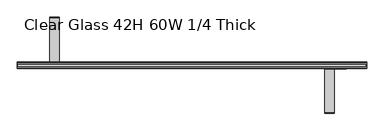
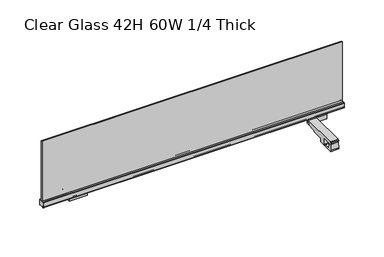
"""IFC4 building model written with IfcOpenShell, lengths in millimetres: furniture geometry, Clear Glass 42H 60W 1/4 Thick."""

from ifc_helpers import new_model, si_unit, frame, origin, place, context, project, spatial, polyline, circle_curve, ellipse_curve, outline, extrude, source, transform, mapped, element, save
from ifc_brep_helpers import plane_surface, cylinder_surface, revolved_surface, advanced_brep


def clear_glass_42h_60w_1_4_thick_86b649ca(model_context):
    return source(origin(), model_context, "Body", "SolidModel", [
        extrude(outline(polyline([(3.201435, 695.9952598), (12.5472507, 695.9948719), (13.9614642, 696.5806646), (14.5463959, 697.9928328), (14.5465332, 699.4737627), (15.6559149, 694.5869844), (16.1552308, 670.5006633), (3.201435, 670.2321276), (3.201435, 695.9952598)])), frame((-617.0086695, 0.0, 0.0), z_axis=(1.0, 0.0, 0.0), x_axis=(0.0, 1.0, 0.0)), (0.0, 0.0, 1.0), 91.8823277),
        advanced_brep(
        [(-585.6869928, 64.3714744, 682.0986035), (-608.330335, 64.3714744, 682.0986035), (-610.7646143, 64.3714744, 679.6643242), (-611.0784676, 64.3714744, 670.0187968), (-582.9388615, 64.3714744, 670.0187968), (-583.2527135, 64.3714744, 679.6643242), (-585.6869928, 34.3714744, 682.0986035), (-608.330335, 34.3714744, 682.0986035), (-610.7646143, 34.3714744, 679.6643242), (-611.0784676, 34.3714744, 670.0187968), (-611.0784676, 63.1060855, 670.0187968), (-582.9388615, 63.1060855, 670.0187968), (-582.9388615, 34.3714744, 670.0187968), (-583.2527135, 34.3714744, 679.6643242), (-577.0086583, 15.5333084, 694.748492), (-577.0086583, 16.0512785, 670.0187968), (-577.0086583, 63.1060855, 670.0187968), (-577.0086583, 64.7802895, 669.3253107), (-577.0086583, 65.3660777, 667.9110802), (-577.0086583, 65.3660777, 666.9110686), (-577.0086583, 65.9518614, 665.4969107), (-577.0086583, 67.0455533, 665.0438834), (-577.0086583, 120.0667475, 665.0438834), (-577.0086583, 122.5380118, 662.5726192), (-577.0086583, 123.0486642, 647.9494482), (-577.0086583, 124.7890124, 646.2091), (-577.0086583, 153.1196776, 646.2091), (-577.0086583, 155.1099437, 648.1993661), (-577.0086583, 155.1099437, 680.3912738), (-577.0086583, 157.5799648, 682.8612948), (-577.0086583, 208.1314782, 682.8612948), (-577.0086583, 208.8141532, 683.339309), (-577.0086583, 209.1380776, 691.2327031), (-577.0086583, 205.6222859, 694.748492), (-617.0086695, 15.5333084, 694.748492), (-617.0086695, 205.6222859, 694.748492), (-617.0086695, 209.1380776, 691.2327031), (-617.0086695, 208.8141532, 683.339309), (-617.0086695, 208.1314782, 682.8612948), (-617.0086695, 157.5799648, 682.8612948), (-617.0086695, 155.1099437, 680.3912738), (-617.0086695, 155.1099437, 648.1993661), (-617.0086695, 153.1196776, 646.2091), (-617.0086695, 124.7890124, 646.2091), (-617.0086695, 123.0486642, 647.9494482), (-617.0086695, 122.5380118, 662.5726192), (-617.0086695, 120.0667475, 665.0438834), (-617.0086695, 67.0455533, 665.0438834), (-617.0086695, 65.9518614, 665.4969107), (-617.0086695, 65.3660777, 666.9110686), (-617.0086695, 65.3660777, 667.9110802), (-617.0086695, 64.7802895, 669.3253107), (-617.0086695, 63.1060855, 670.0187968), (-617.0086695, 16.0512785, 670.0187968), (-581.9932112, 124.7890124, 646.2091), (-581.9932112, 140.0690796, 646.2091), (-612.0649315, 140.0690796, 646.2091), (-612.0649315, 124.7890124, 646.2091), (-611.9886997, 123.0486642, 647.9494482), (-582.0694431, 123.0486642, 647.9494482), (-611.5228551, 122.677279, 658.5845286), (-600.6647896, 122.6606702, 659.0601406), (-593.3933546, 122.6606702, 659.0601406), (-582.5352876, 122.677279, 658.5845286), (-600.6647896, 140.0690796, 659.0601406), (-611.5228551, 140.0690796, 658.5845286), (-582.5352876, 140.0690796, 658.5845286), (-593.3933546, 140.0690796, 659.0601406)],
        [
            (0, 1),
            (1, 2, circle_curve(frame((-608.330335, 64.3714744, 679.6643242), z_axis=(0.0, -1.0, 0.0), x_axis=(1.0, 0.0, 0.0)), 2.4342793)),
            (2, 3),
            (3, 4),
            (4, 5),
            (5, 0, circle_curve(frame((-585.6869928, 64.3714744, 679.6643242), z_axis=(0.0, -1.0, 0.0), x_axis=(1.0, 0.0, 0.0)), 2.4342793)),
            (0, 6),
            (6, 7),
            (7, 1),
            (7, 8, circle_curve(frame((-608.330335, 34.3714744, 679.6643242), z_axis=(0.0, -1.0, 0.0), x_axis=(1.0, 0.0, 0.0)), 2.4342793)),
            (8, 2),
            (8, 9),
            (9, 10),
            (10, 3),
            (10, 11),
            (11, 4),
            (11, 12),
            (12, 13),
            (13, 5),
            (13, 6, circle_curve(frame((-585.6869928, 34.3714744, 679.6643242), z_axis=(0.0, -1.0, 0.0), x_axis=(1.0, 0.0, 0.0)), 2.4342793)),
            (14, 15),
            (15, 16),
            (16, 17),
            (17, 18),
            (18, 19),
            (19, 20),
            (20, 21),
            (21, 22),
            (22, 23),
            (23, 24),
            (24, 25, circle_curve(frame((-577.0086583, 124.7890124, 647.9494482), z_axis=(1.0, 0.0, 0.0), x_axis=(0.0, -1.0, 0.0)), 1.7403482)),
            (25, 26),
            (26, 27, circle_curve(frame((-577.0086583, 153.1196776, 648.1993661), z_axis=(1.0, 0.0, 0.0), x_axis=(0.0, -1.0, 0.0)), 1.9902661)),
            (27, 28),
            (28, 29),
            (29, 30),
            (30, 31, circle_curve(frame((-577.0086583, 208.2904116, 683.360802), z_axis=(1.0, 0.0, 0.0), x_axis=(0.0, -1.0, 0.0)), 0.5241824)),
            (31, 32),
            (32, 33, circle_curve(frame((-577.0086583, 205.6222859, 691.2327002), z_axis=(1.0, 0.0, 0.0), x_axis=(0.0, -1.0, 0.0)), 3.5157917)),
            (33, 14),
            (34, 35),
            (35, 36, circle_curve(frame((-617.0086695, 205.6222859, 691.2327002), z_axis=(-1.0, 0.0, 0.0), x_axis=(0.0, -1.0, 0.0)), 3.5157917)),
            (36, 37),
            (37, 38, circle_curve(frame((-617.0086695, 208.2904116, 683.360802), z_axis=(-1.0, 0.0, 0.0), x_axis=(0.0, -1.0, 0.0)), 0.5241824)),
            (38, 39),
            (39, 40),
            (40, 41),
            (41, 42, circle_curve(frame((-617.0086695, 153.1196776, 648.1993661), z_axis=(-1.0, 0.0, 0.0), x_axis=(0.0, -1.0, 0.0)), 1.9902661)),
            (42, 43),
            (43, 44, circle_curve(frame((-617.0086695, 124.7890124, 647.9494482), z_axis=(-1.0, 0.0, 0.0), x_axis=(0.0, -1.0, 0.0)), 1.7403482)),
            (44, 45),
            (45, 46),
            (46, 47),
            (47, 48),
            (48, 49),
            (49, 50),
            (50, 51),
            (51, 52),
            (52, 53),
            (53, 34),
            (33, 35),
            (34, 14),
            (32, 36),
            (31, 37),
            (29, 39),
            (38, 30),
            (28, 40),
            (27, 41),
            (26, 42),
            (25, 54),
            (54, 55),
            (55, 56),
            (56, 57),
            (57, 43),
            (57, 58, ellipse_curve(frame((-611.9886997, 124.7890124, 647.9494482), z_axis=(-0.9990420429162121, 0.0, 0.043760672821627045), x_axis=(0.043760672821625185, 0.0, 0.999042042916212)), 1.742017, 1.7403482)),
            (58, 44),
            (24, 59),
            (59, 54, ellipse_curve(frame((-582.0694431, 124.7890124, 647.9494482), z_axis=(0.9990420426677843, 0.0, 0.04376067849315382), x_axis=(0.04376067849315236, 0.0, -0.9990420426677845)), 1.742017, 1.7403482)),
            (23, 45),
            (58, 60),
            (60, 61),
            (61, 62),
            (62, 63),
            (63, 59),
            (22, 46),
            (21, 47),
            (15, 53),
            (52, 10),
            (9, 12),
            (11, 16),
            (20, 48),
            (19, 49),
            (18, 50),
            (17, 51),
            (64, 65),
            (65, 56),
            (55, 66),
            (66, 67),
            (67, 64),
            (64, 61),
            (60, 65),
            (63, 66),
            (62, 67),
        ],
        [
            plane_surface(frame((-608.330335, 64.3714744, 682.0986035), z_axis=(0.0, -1.0, 0.0), x_axis=(-1.0, 0.0, 0.0))),
            plane_surface(frame((-585.6869928, 64.3714744, 682.0986035), z_axis=(0.0, 0.0, -1.0), x_axis=(0.0, -1.0, 0.0))),
            revolved_surface(polyline([(-605.8960557, 64.3714744, 679.6643242), (-605.8960557, 34.3714744, 679.6643242)]), (-608.330335, 34.3714744, 679.6643242), (0.0, 1.0, 0.0)),
            plane_surface(frame((-610.7646143, 64.3714744, 679.6643242), z_axis=(0.9994710350913933, 0.0, -0.03252153153433829), x_axis=(0.0, -1.0, 0.0))),
            plane_surface(frame((-611.0784676, 64.3714744, 670.0187968), z_axis=(0.0, 0.0, 1.0), x_axis=(0.0, -1.0, 0.0))),
            plane_surface(frame((-582.9388615, 64.3714744, 670.0187968), z_axis=(-0.999471039390332, 0.0, -0.03252139941653), x_axis=(0.0, -1.0, 0.0))),
            revolved_surface(polyline([(-583.2527135, 64.3714744, 679.6643242), (-583.2527135, 34.3714744, 679.6643242)]), (-585.6869928, 34.3714744, 679.6643242), (0.0, 1.0, 0.0)),
            plane_surface(frame((-577.0086583, 205.6222859, 694.748492), z_axis=(1.0, 0.0, 0.0), x_axis=(0.0, 1.0, 0.0))),
            plane_surface(frame((-617.0086695, 205.6222859, 694.748492), z_axis=(-1.0, 0.0, 0.0), x_axis=(0.0, -1.0, 0.0))),
            plane_surface(frame((-577.0086583, 15.5333084, 694.748492), z_axis=(0.0, 0.0, 1.0), x_axis=(-1.0, 0.0, 0.0))),
            cylinder_surface(frame((-617.0086695, 205.6222859, 691.2327002), z_axis=(1.0, 0.0, 0.0), x_axis=(0.0, -1.0, 0.0)), 3.5157917),
            plane_surface(frame((-577.0086583, 209.1380776, 691.2327031), z_axis=(0.0, 0.9991590276048403, -0.041002896918997445), x_axis=(-1.0, 0.0, 0.0))),
            plane_surface(frame((-577.0086583, 208.1314782, 682.8612948), z_axis=(0.0, 0.0, -1.0), x_axis=(-1.0, 0.0, 0.0))),
            plane_surface(frame((-577.0086583, 157.5799648, 682.8612948), z_axis=(0.0, 0.7071067811865669, -0.7071067811865281), x_axis=(-1.0, 0.0, 0.0))),
            plane_surface(frame((-577.0086583, 155.1099437, 680.3912738), z_axis=(0.0, 1.0, 0.0), x_axis=(-1.0, 0.0, 0.0))),
            cylinder_surface(frame((-617.0086695, 153.1196776, 648.1993661), z_axis=(1.0, 0.0, 0.0), x_axis=(0.0, -1.0, 0.0)), 1.9902661),
            plane_surface(frame((-577.0086583, 153.1196776, 646.2091), z_axis=(0.0, 0.0, -1.0), x_axis=(-1.0, 0.0, 0.0))),
            cylinder_surface(frame((-617.0086695, 124.7890124, 647.9494482), z_axis=(1.0, 0.0, 0.0), x_axis=(0.0, -1.0, 0.0)), 1.7403482),
            plane_surface(frame((-577.0086583, 123.0486642, 647.9494482), z_axis=(0.0, -0.9993908270182066, -0.03489949672796346), x_axis=(-1.0, 0.0, 0.0))),
            plane_surface(frame((-577.0086583, 122.5380118, 662.5726192), z_axis=(0.0, -0.7071067811865888, -0.7071067811865064), x_axis=(-1.0, 0.0, 0.0))),
            plane_surface(frame((-577.0086583, 120.0667475, 665.0438834), z_axis=(0.0, 0.0, -1.0), x_axis=(-1.0, 0.0, 0.0))),
            plane_surface(frame((-577.0086583, 63.1060855, 670.0187968), z_axis=(0.0, 0.0, -1.0), x_axis=(-1.0, 0.0, 0.0))),
            cylinder_surface(frame((-617.0086695, 208.2904116, 683.360802), z_axis=(1.0, 0.0, 0.0), x_axis=(0.0, -1.0, 0.0)), 0.5241824),
            plane_surface(frame((-577.0086583, 67.0455533, 665.0438834), z_axis=(0.0, -0.3826872177215554, -0.9238779645562151), x_axis=(-1.0, 0.0, 0.0))),
            plane_surface(frame((-577.0086583, 65.9518614, 665.4969107), z_axis=(0.0, -0.9238748481049176, -0.3826947413267075), x_axis=(-1.0, 0.0, 0.0))),
            plane_surface(frame((-577.0086583, 65.3660777, 666.9110686), z_axis=(0.0, -1.0, 0.0), x_axis=(-1.0, 0.0, 0.0))),
            plane_surface(frame((-577.0086583, 65.3660777, 667.9110802), z_axis=(0.0, -0.9238807518005431, -0.38268048872716703), x_axis=(-1.0, 0.0, 0.0))),
            plane_surface(frame((-577.0086583, 64.7802895, 669.3253107), z_axis=(0.0, -0.38268721761631463, -0.9238779645998076), x_axis=(-1.0, 0.0, 0.0))),
            plane_surface(frame((-577.0086583, 16.0512785, 670.0187968), z_axis=(0.0, -0.9997807200231504, -0.02094067501278579), x_axis=(-1.0, 0.0, 0.0))),
            plane_surface(frame((-611.5228551, 140.0690796, 658.5845286), z_axis=(0.0, -1.0000000000000002, 0.0), x_axis=(-0.9990420426677844, 0.0, -0.04376067849315215))),
            plane_surface(frame((-600.6647896, 140.0690796, 659.0601406), z_axis=(0.04376067849315215, 0.0, -0.9990420426677844), x_axis=(0.0, -1.0, 0.0))),
            plane_surface(frame((-611.5228551, 140.0690796, 658.5845286), z_axis=(0.9990420429162121, 0.0, -0.043760672821627045), x_axis=(0.0, -1.0, 0.0))),
            plane_surface(frame((-581.9129553, 140.0690796, 644.376883), z_axis=(-0.9990420426677843, 0.0, -0.04376067849315382), x_axis=(0.0, -1.0, 0.0))),
            plane_surface(frame((-582.5352876, 140.0690796, 658.5845286), z_axis=(-0.043760672821278684, 0.0, -0.9990420429162273), x_axis=(0.0, -1.0, 0.0))),
            plane_surface(frame((-593.3933546, 140.0690796, 659.0601406), z_axis=(0.0, 0.0, -1.0), x_axis=(0.0, -1.0, 0.0))),
            plane_surface(frame((-608.330335, 34.3714744, 682.0986035), z_axis=(0.0, 1.0, 0.0), x_axis=(1.0, 0.0, 0.0))),
        ],
        [
            (0, [[1, 2, 3, 4, 5, 6]]),
            (1, [[7, 8, 9, -1]]),
            (2, [[-9, 10, 11, -2]]),
            (3, [[-11, 12, 13, 14, -3]]),
            (4, [[-14, 15, 16, -4]]),
            (5, [[-16, 17, 18, 19, -5]]),
            (6, [[-19, 20, -7, -6]]),
            (7, [[21, 22, 23, 24, 25, 26, 27, 28, 29, 30, 31, 32, 33, 34, 35, 36, 37, 38, 39, 40]]),
            (8, [[41, 42, 43, 44, 45, 46, 47, 48, 49, 50, 51, 52, 53, 54, 55, 56, 57, 58, 59, 60]]),
            (9, [[61, -41, 62, -40]]),
            (10, [[63, -42, -61, -39]]),
            (11, [[64, -43, -63, -38]]),
            (12, [[65, -45, 66, -36]]),
            (13, [[67, -46, -65, -35]]),
            (14, [[68, -47, -67, -34]]),
            (15, [[69, -48, -68, -33]]),
            (16, [[70, 71, 72, 73, 74, -49, -69, -32]]),
            (17, [[-74, 75, 76, -50]]),
            (17, [[77, 78, -70, -31]]),
            (18, [[79, -51, -76, 80, 81, 82, 83, 84, -77, -30]]),
            (19, [[85, -52, -79, -29]]),
            (20, [[86, -53, -85, -28]]),
            (21, [[87, -59, 88, -13, 89, -17, 90, -22]]),
            (22, [[-66, -44, -64, -37]]),
            (23, [[91, -54, -86, -27]]),
            (24, [[92, -55, -91, -26]]),
            (25, [[93, -56, -92, -25]]),
            (26, [[94, -57, -93, -24]]),
            (27, [[-90, -15, -88, -58, -94, -23]]),
            (28, [[-62, -60, -87, -21]]),
            (29, [[95, 96, -72, 97, 98, 99]]),
            (30, [[100, -81, 101, -95]]),
            (31, [[-101, -80, -75, -73, -96]]),
            (32, [[-71, -78, -84, 102, -97]]),
            (33, [[-102, -83, 103, -98]]),
            (34, [[-103, -82, -100, -99]]),
            (35, [[-20, -18, -89, -12, -10, -8]]),
        ],
    ),
        advanced_brep(
        [(-577.0086583, 192.6183967, 652.8966), (-577.0086583, 158.5660905, 652.8966), (-577.0086583, 158.5660905, 645.8966), (-577.0086583, 209.8247065, 645.8966), (-577.0086583, 209.9468927, 652.8966), (-577.0086583, 208.9172894, 682.3805731), (-577.0086583, 195.9764958, 682.3805731), (-577.0086583, 195.0311479, 655.3093513), (-617.0086695, 209.8247065, 645.8966), (-617.0086695, 158.0993665, 645.8966), (-617.0086695, 158.0993665, 652.8966), (-617.0086695, 192.6183967, 652.8966), (-617.0086695, 195.0311479, 655.3093513), (-617.0086695, 195.9764958, 682.3805731), (-617.0086695, 208.9172894, 682.3805731), (-617.0086695, 209.9468927, 652.8966), (-585.7177, 140.0690796, 645.8966), (-586.173485, 139.9468928, 652.8966), (-607.9688403, 139.9468928, 652.8966), (-608.4246253, 140.0690796, 645.8966), (-616.6998014, 156.9460954, 652.8966), (-615.9683052, 156.2145992, 652.8966), (-614.9687262, 155.9468928, 652.8966), (-611.9672794, 155.9468928, 652.8966), (-611.4675078, 155.0780486, 652.8966), (-611.4675078, 143.4455602, 652.8966), (-610.9985698, 141.6963131, 652.8966), (-609.7180876, 140.4158309, 652.8966), (-584.4242378, 140.4158309, 652.8966), (-583.1437556, 141.6963131, 652.8966), (-582.6748176, 143.4455602, 652.8966), (-582.6748176, 155.0780485, 652.8966), (-582.175046, 155.9468928, 652.8966), (-579.1735992, 155.9468928, 652.8966), (-578.1740202, 156.2145992, 652.8966), (-577.442524, 156.9460954, 652.8966), (-577.442524, 156.9460954, 645.8966), (-578.1740202, 156.2145992, 645.8966), (-579.1735992, 155.9468928, 645.8966), (-582.175046, 155.9468928, 645.8966), (-582.6748176, 155.0780485, 645.8966), (-582.6748176, 143.4455602, 645.8966), (-583.1437556, 141.6963131, 645.8966), (-584.4242378, 140.4158309, 645.8966), (-609.7180876, 140.4158309, 645.8966), (-610.9985698, 141.6963131, 645.8966), (-611.4675078, 143.4455602, 645.8966), (-611.4675078, 155.0780486, 645.8966), (-611.9672794, 155.9468928, 645.8966), (-614.9687262, 155.9468928, 645.8966), (-615.9683052, 156.2145992, 645.8966), (-616.6998014, 156.9460954, 645.8966)],
        [
            (0, 1),
            (1, 2),
            (2, 3),
            (3, 4),
            (4, 5),
            (5, 6),
            (6, 7),
            (7, 0, circle_curve(frame((-577.0086583, 192.6183967, 655.3093513), z_axis=(-1.0, 0.0, 0.0), x_axis=(0.0, -1.0, 0.0)), 2.4127513)),
            (8, 9),
            (9, 10),
            (10, 11),
            (11, 12, circle_curve(frame((-617.0086695, 192.6183967, 655.3093513), z_axis=(1.0, 0.0, 0.0), x_axis=(0.0, -1.0, 0.0)), 2.4127513)),
            (12, 13),
            (13, 14),
            (14, 15),
            (15, 8),
            (16, 17),
            (17, 18),
            (18, 19),
            (19, 16),
            (10, 20),
            (20, 21),
            (21, 22),
            (22, 23),
            (23, 24, circle_curve(frame((-612.4726288, 155.0780486, 652.8966), z_axis=(0.0, 0.0, -1.0), x_axis=(1.0, 0.0, 0.0)), 1.005121)),
            (24, 25),
            (25, 26),
            (26, 27),
            (27, 18),
            (17, 28),
            (28, 29),
            (29, 30),
            (30, 31),
            (31, 32, circle_curve(frame((-581.6696965, 155.0780485, 652.8966), z_axis=(0.0, 0.0, -1.0), x_axis=(1.0, 0.0, 0.0)), 1.0051211)),
            (32, 33),
            (33, 34),
            (34, 35),
            (35, 1),
            (0, 11),
            (7, 12),
            (6, 13),
            (5, 14),
            (4, 15),
            (3, 8),
            (2, 36),
            (36, 37),
            (37, 38),
            (38, 39),
            (39, 40, circle_curve(frame((-581.6696965, 155.0780485, 645.8966), z_axis=(0.0, 0.0, 1.0), x_axis=(1.0, 0.0, 0.0)), 1.0051211)),
            (40, 41),
            (41, 42),
            (42, 43),
            (43, 16),
            (19, 44),
            (44, 45),
            (45, 46),
            (46, 47),
            (47, 48, circle_curve(frame((-612.4726288, 155.0780486, 645.8966), z_axis=(0.0, 0.0, 1.0), x_axis=(1.0, 0.0, 0.0)), 1.005121)),
            (48, 49),
            (49, 50),
            (50, 51),
            (51, 9),
            (25, 46),
            (45, 26),
            (44, 27),
            (51, 20),
            (50, 21),
            (49, 22),
            (48, 23),
            (47, 24),
            (30, 41),
            (40, 31),
            (39, 32),
            (38, 33),
            (37, 34),
            (36, 35),
            (43, 28),
            (42, 29),
        ],
        [
            plane_surface(frame((-577.0086583, 140.0690796, 645.8966), z_axis=(1.0, 0.0, 0.0), x_axis=(0.0, -0.01745259834091157, 0.9998476918066825))),
            plane_surface(frame((-617.0086695, 140.0690796, 645.8966), z_axis=(-1.0, 0.0, 0.0), x_axis=(0.0, 0.01745259834091157, -0.9998476918066825))),
            plane_surface(frame((-577.0086583, 140.0690796, 645.8966), z_axis=(0.0, -0.9998476918066825, -0.01745259834091157), x_axis=(-1.0, 0.0, 0.0))),
            plane_surface(frame((-577.0086583, 139.9468928, 652.8966), z_axis=(0.0, 0.0, 1.0), x_axis=(-1.0, 0.0, 0.0))),
            revolved_surface(polyline([(-617.0086695, 190.2056454, 655.3093513), (-577.0086583, 190.2056454, 655.3093513)]), (-617.0086695, 192.6183967, 655.3093513), (-1.0, 0.0, 0.0)),
            plane_surface(frame((-577.0086583, 195.0311479, 655.3093513), z_axis=(0.0, -0.9993908270203338, 0.03489949666705066), x_axis=(-1.0, 0.0, 0.0))),
            plane_surface(frame((-577.0086583, 195.9764958, 682.3805731), z_axis=(0.0, 0.0, 1.0), x_axis=(-1.0, 0.0, 0.0))),
            plane_surface(frame((-577.0086583, 208.9172894, 682.3805731), z_axis=(0.0, 0.999390826636529, 0.03489950765777716), x_axis=(-1.0, 0.0, 0.0))),
            plane_surface(frame((-577.0086583, 209.9468927, 652.8966), z_axis=(0.0, 0.9998476933650656, -0.017452509061959314), x_axis=(-1.0, 0.0, 0.0))),
            plane_surface(frame((-577.0086583, 209.8247065, 645.8966), z_axis=(0.0, 0.0, -1.0), x_axis=(-1.0, 0.0, 0.0))),
            plane_surface(frame((-611.4675078, 143.4455602, 652.8966), z_axis=(-0.9658942540049885, -0.258936845736845, 0.0), x_axis=(0.0, 0.0, -1.0))),
            plane_surface(frame((-610.9985698, 141.6963131, 652.8966), z_axis=(-0.7071067760391501, -0.707106786333945, 0.0), x_axis=(0.0, 0.0, -1.0))),
            plane_surface(frame((-609.7180876, 140.4158309, 652.8966), z_axis=(-0.2589368493371297, -0.9658942530398246, 0.0), x_axis=(0.0, 0.0, -1.0))),
            plane_surface(frame((-618.6862578, 164.363251, 652.8966), z_axis=(-0.965957219207298, -0.25870185670246776, 0.0), x_axis=(0.0, 0.0, -1.0))),
            plane_surface(frame((-616.6998014, 156.9460954, 652.8966), z_axis=(-0.7071067811865476, -0.7071067811865476, 0.0), x_axis=(0.0, 0.0, -1.0))),
            plane_surface(frame((-615.9683052, 156.2145992, 652.8966), z_axis=(-0.2587018567024804, -0.9659572192072946, 0.0), x_axis=(0.0, 0.0, -1.0))),
            plane_surface(frame((-614.9687262, 155.9468928, 652.8966), z_axis=(0.0, -1.0, 0.0), x_axis=(0.0, 0.0, -1.0))),
            revolved_surface(polyline([(-611.4675078, 155.0780486, 652.8966), (-611.4675078, 155.0780486, 645.8966)]), (-612.4726288, 155.0780486, 645.8966), (0.0, 0.0, 1.0)),
            plane_surface(frame((-611.4675078, 155.0780486, 652.8966), z_axis=(-1.0, 0.0, 0.0), x_axis=(0.0, 0.0, -1.0))),
            plane_surface(frame((-582.6748176, 143.4455602, 652.8966), z_axis=(1.0, 0.0, 0.0), x_axis=(0.0, 0.0, -1.0))),
            revolved_surface(polyline([(-580.6645754, 155.0780485, 652.8966), (-580.6645754, 155.0780485, 645.8966)]), (-581.6696965, 155.0780485, 667.9051241), (0.0, 0.0, 1.0)),
            plane_surface(frame((-582.175046, 155.9468928, 652.8966), z_axis=(0.0, -1.0, 0.0), x_axis=(0.0, 0.0, -1.0))),
            plane_surface(frame((-579.1735992, 155.9468928, 652.8966), z_axis=(0.2587018567024804, -0.9659572192072946, 0.0), x_axis=(0.0, 0.0, -1.0))),
            plane_surface(frame((-578.1740202, 156.2145992, 652.8966), z_axis=(0.7071067968281866, -0.7071067655449081, 0.0), x_axis=(0.0, 0.0, -1.0))),
            plane_surface(frame((-577.442524, 156.9460954, 652.8966), z_axis=(0.9659572171002593, -0.2587018645698611, 0.0), x_axis=(0.0, 0.0, -1.0))),
            plane_surface(frame((-593.7505167, 137.9156428, 652.8966), z_axis=(0.258936845736453, -0.9658942540050938, 0.0), x_axis=(0.0, 0.0, -1.0))),
            plane_surface(frame((-584.4242378, 140.4158309, 652.8966), z_axis=(0.7071067811865429, -0.7071067811865522, 0.0), x_axis=(0.0, 0.0, -1.0))),
            plane_surface(frame((-583.1437556, 141.6963131, 652.8966), z_axis=(0.9658942540049885, -0.258936845736845, 0.0), x_axis=(0.0, 0.0, -1.0))),
        ],
        [
            (0, [[1, 2, 3, 4, 5, 6, 7, 8]]),
            (1, [[9, 10, 11, 12, 13, 14, 15, 16]]),
            (2, [[17, 18, 19, 20]]),
            (3, [[-11, 21, 22, 23, 24, 25, 26, 27, 28, 29, -18, 30, 31, 32, 33, 34, 35, 36, 37, 38, -1, 39]]),
            (4, [[40, -12, -39, -8]]),
            (5, [[41, -13, -40, -7]]),
            (6, [[42, -14, -41, -6]]),
            (7, [[43, -15, -42, -5]]),
            (8, [[44, -16, -43, -4]]),
            (9, [[-3, 45, 46, 47, 48, 49, 50, 51, 52, 53, -20, 54, 55, 56, 57, 58, 59, 60, 61, 62, -9, -44]]),
            (10, [[-27, 63, -56, 64]]),
            (11, [[-55, 65, -28, -64]]),
            (12, [[-54, -19, -29, -65]]),
            (13, [[-21, -10, -62, 66]]),
            (14, [[-61, 67, -22, -66]]),
            (15, [[-60, 68, -23, -67]]),
            (16, [[-59, 69, -24, -68]]),
            (17, [[-58, 70, -25, -69]]),
            (18, [[-26, -70, -57, -63]]),
            (19, [[-33, 71, -50, 72]]),
            (20, [[-49, 73, -34, -72]]),
            (21, [[-48, 74, -35, -73]]),
            (22, [[-47, 75, -36, -74]]),
            (23, [[-46, 76, -37, -75]]),
            (24, [[-45, -2, -38, -76]]),
            (25, [[-30, -17, -53, 77]]),
            (26, [[-52, 78, -31, -77]]),
            (27, [[-32, -78, -51, -71]]),
        ],
    ),
        extrude(outline(polyline([(-3.2109631, 695.9952598), (-3.2109631, 670.2321276), (-16.1647589, 670.5006633), (-15.6654429, 694.5869844), (-14.5560613, 699.4737627), (-14.555924, 697.9928328), (-13.9709923, 696.5806646), (-12.5567788, 695.9948719), (-3.2109631, 695.9952598)])), frame((579.7963383, 0.0, 0.0), z_axis=(1.0, 0.0, 0.0), x_axis=(0.0, 1.0, 0.0)), (0.0, 0.0, 1.0), 91.8823277),
        advanced_brep(
        [(611.118015, -64.3810025, 682.0986035), (613.5522943, -64.3810025, 679.6643242), (613.8661464, -64.3810025, 670.0187968), (585.7265402, -64.3810025, 670.0187968), (586.0403935, -64.3810025, 679.6643242), (588.4746728, -64.3810025, 682.0986035), (588.4746728, -34.3810025, 682.0986035), (611.118015, -34.3810025, 682.0986035), (586.0403935, -34.3810025, 679.6643242), (585.7265402, -63.1156136, 670.0187968), (585.7265402, -34.3810025, 670.0187968), (613.8661464, -63.1156136, 670.0187968), (613.5522943, -34.3810025, 679.6643242), (613.8661464, -34.3810025, 670.0187968), (619.7963495, -15.5428365, 694.748492), (619.7963495, -205.631814, 694.748492), (619.7963495, -209.1476057, 691.2327031), (619.7963495, -208.8236813, 683.339309), (619.7963495, -208.1410063, 682.8612948), (619.7963495, -157.5894929, 682.8612948), (619.7963495, -155.1194718, 680.3912738), (619.7963495, -155.1194718, 648.1993661), (619.7963495, -153.1292057, 646.2091), (619.7963495, -124.7985405, 646.2091), (619.7963495, -123.0581923, 647.9494482), (619.7963495, -122.5475399, 662.5726192), (619.7963495, -120.0762756, 665.0438834), (619.7963495, -67.0550814, 665.0438834), (619.7963495, -65.9613895, 665.4969107), (619.7963495, -65.3756058, 666.9110686), (619.7963495, -65.3756058, 667.9110802), (619.7963495, -64.7898176, 669.3253107), (619.7963495, -63.1156136, 670.0187968), (619.7963495, -16.0608066, 670.0187968), (579.7963383, -15.5428365, 694.748492), (579.7963383, -16.0608066, 670.0187968), (579.7963383, -63.1156136, 670.0187968), (579.7963383, -64.7898176, 669.3253107), (579.7963383, -65.3756058, 667.9110802), (579.7963383, -65.3756058, 666.9110686), (579.7963383, -65.9613895, 665.4969107), (579.7963383, -67.0550814, 665.0438834), (579.7963383, -120.0762756, 665.0438834), (579.7963383, -122.5475399, 662.5726192), (579.7963383, -123.0581923, 647.9494482), (579.7963383, -124.7985405, 646.2091), (579.7963383, -153.1292057, 646.2091), (579.7963383, -155.1194718, 648.1993661), (579.7963383, -155.1194718, 680.3912738), (579.7963383, -157.5894929, 682.8612948), (579.7963383, -208.1410063, 682.8612948), (579.7963383, -208.8236813, 683.339309), (579.7963383, -209.1476057, 691.2327031), (579.7963383, -205.631814, 694.748492), (584.7400763, -124.7985405, 646.2091), (584.7400763, -140.0786077, 646.2091), (614.8117966, -140.0786077, 646.2091), (614.8117966, -124.7985405, 646.2091), (614.7355648, -123.0581923, 647.9494482), (584.8163082, -123.0581923, 647.9494482), (614.2697202, -122.6868071, 658.5845286), (603.4116532, -122.6701983, 659.0601406), (596.1402183, -122.6701983, 659.0601406), (585.2821527, -122.6868071, 658.5845286), (596.1402183, -140.0786077, 659.0601406), (603.4116532, -140.0786077, 659.0601406), (614.2697202, -140.0786077, 658.5845286), (585.2821527, -140.0786077, 658.5845286)],
        [
            (0, 1, circle_curve(frame((611.118015, -64.3810025, 679.6643242), z_axis=(0.0, 1.0, 0.0), x_axis=(1.0, 0.0, 0.0)), 2.4342793)),
            (1, 2),
            (2, 3),
            (3, 4),
            (4, 5, circle_curve(frame((588.4746728, -64.3810025, 679.6643242), z_axis=(0.0, 1.0, 0.0), x_axis=(1.0, 0.0, 0.0)), 2.4342793)),
            (5, 0),
            (5, 6),
            (6, 7),
            (7, 0),
            (4, 8),
            (8, 6, circle_curve(frame((588.4746728, -34.3810025, 679.6643242), z_axis=(0.0, 1.0, 0.0), x_axis=(1.0, 0.0, 0.0)), 2.4342793)),
            (3, 9),
            (9, 10),
            (10, 8),
            (2, 11),
            (11, 9),
            (1, 12),
            (12, 13),
            (13, 11),
            (7, 12, circle_curve(frame((611.118015, -34.3810025, 679.6643242), z_axis=(0.0, 1.0, 0.0), x_axis=(1.0, 0.0, 0.0)), 2.4342793)),
            (14, 15),
            (15, 16, circle_curve(frame((619.7963495, -205.631814, 691.2327002), z_axis=(1.0, 0.0, 0.0), x_axis=(0.0, 1.0, 0.0)), 3.5157917)),
            (16, 17),
            (17, 18, circle_curve(frame((619.7963495, -208.2999397, 683.360802), z_axis=(1.0, 0.0, 0.0), x_axis=(0.0, 1.0, 0.0)), 0.5241824)),
            (18, 19),
            (19, 20),
            (20, 21),
            (21, 22, circle_curve(frame((619.7963495, -153.1292057, 648.1993661), z_axis=(1.0, 0.0, 0.0), x_axis=(0.0, 1.0, 0.0)), 1.9902661)),
            (22, 23),
            (23, 24, circle_curve(frame((619.7963495, -124.7985405, 647.9494482), z_axis=(1.0, 0.0, 0.0), x_axis=(0.0, 1.0, 0.0)), 1.7403482)),
            (24, 25),
            (25, 26),
            (26, 27),
            (27, 28),
            (28, 29),
            (29, 30),
            (30, 31),
            (31, 32),
            (32, 33),
            (33, 14),
            (34, 35),
            (35, 36),
            (36, 37),
            (37, 38),
            (38, 39),
            (39, 40),
            (40, 41),
            (41, 42),
            (42, 43),
            (43, 44),
            (44, 45, circle_curve(frame((579.7963383, -124.7985405, 647.9494482), z_axis=(-1.0, 0.0, 0.0), x_axis=(0.0, 1.0, 0.0)), 1.7403482)),
            (45, 46),
            (46, 47, circle_curve(frame((579.7963383, -153.1292057, 648.1993661), z_axis=(-1.0, 0.0, 0.0), x_axis=(0.0, 1.0, 0.0)), 1.9902661)),
            (47, 48),
            (48, 49),
            (49, 50),
            (50, 51, circle_curve(frame((579.7963383, -208.2999397, 683.360802), z_axis=(-1.0, 0.0, 0.0), x_axis=(0.0, 1.0, 0.0)), 0.5241824)),
            (51, 52),
            (52, 53, circle_curve(frame((579.7963383, -205.631814, 691.2327002), z_axis=(-1.0, 0.0, 0.0), x_axis=(0.0, 1.0, 0.0)), 3.5157917)),
            (53, 34),
            (14, 34),
            (53, 15),
            (52, 16),
            (51, 17),
            (18, 50),
            (49, 19),
            (48, 20),
            (47, 21),
            (46, 22),
            (45, 54),
            (54, 55),
            (55, 56),
            (56, 57),
            (57, 23),
            (57, 58, ellipse_curve(frame((614.7355648, -124.7985405, 647.9494482), z_axis=(0.9990420426677843, 0.0, 0.04376067849315382), x_axis=(0.04376067849315236, 0.0, -0.9990420426677845)), 1.742017, 1.7403482)),
            (58, 24),
            (44, 59),
            (59, 54, ellipse_curve(frame((584.8163082, -124.7985405, 647.9494482), z_axis=(-0.9990420429162121, 0.0, 0.043760672821627045), x_axis=(0.043760672821625185, 0.0, 0.999042042916212)), 1.742017, 1.7403482)),
            (58, 60),
            (60, 61),
            (61, 62),
            (62, 63),
            (63, 59),
            (43, 25),
            (42, 26),
            (41, 27),
            (32, 11),
            (13, 10),
            (9, 36),
            (35, 33),
            (40, 28),
            (39, 29),
            (38, 30),
            (37, 31),
            (64, 65),
            (65, 66),
            (66, 56),
            (55, 67),
            (67, 64),
            (67, 63),
            (62, 64),
            (66, 60),
            (65, 61),
        ],
        [
            plane_surface(frame((588.4746728, -64.3810025, 682.0986035), z_axis=(0.0, 1.0, 0.0), x_axis=(-1.0, 0.0, 0.0))),
            plane_surface(frame((611.118015, -64.3810025, 682.0986035), z_axis=(0.0, 0.0, -1.0), x_axis=(0.0, 1.0, 0.0))),
            revolved_surface(polyline([(590.9089521, -64.3810025, 679.6643242), (590.9089521, -34.3810025, 679.6643242)]), (588.4746728, -34.3810025, 679.6643242), (0.0, -1.0, 0.0)),
            plane_surface(frame((586.0403935, -64.3810025, 679.6643242), z_axis=(0.9994710350913933, 0.0, -0.03252153153433829), x_axis=(0.0, 1.0, 0.0))),
            plane_surface(frame((585.7265402, -64.3810025, 670.0187968), z_axis=(0.0, 0.0, 1.0), x_axis=(0.0, 1.0, 0.0))),
            plane_surface(frame((613.8661464, -64.3810025, 670.0187968), z_axis=(-0.999471039390332, 0.0, -0.03252139941653), x_axis=(0.0, 1.0, 0.0))),
            revolved_surface(polyline([(613.5522943, -64.3810025, 679.6643242), (613.5522943, -34.3810025, 679.6643242)]), (611.118015, -34.3810025, 679.6643242), (0.0, -1.0, 0.0)),
            plane_surface(frame((619.7963495, -205.631814, 694.748492), z_axis=(1.0, 0.0, 0.0), x_axis=(0.0, -1.0, 0.0))),
            plane_surface(frame((579.7963383, -205.631814, 694.748492), z_axis=(-1.0, 0.0, 0.0), x_axis=(0.0, 1.0, 0.0))),
            plane_surface(frame((619.7963495, -15.5428365, 694.748492), z_axis=(0.0, 0.0, 1.0), x_axis=(-1.0, 0.0, 0.0))),
            cylinder_surface(frame((579.7963383, -205.631814, 691.2327002), z_axis=(1.0, 0.0, 0.0), x_axis=(0.0, 1.0, 0.0)), 3.5157917),
            plane_surface(frame((619.7963495, -209.1476057, 691.2327031), z_axis=(0.0, -0.9991590276048403, -0.041002896918997445), x_axis=(-1.0, 0.0, 0.0))),
            plane_surface(frame((619.7963495, -208.1410063, 682.8612948), z_axis=(0.0, 0.0, -1.0), x_axis=(-1.0, 0.0, 0.0))),
            plane_surface(frame((619.7963495, -157.5894929, 682.8612948), z_axis=(0.0, -0.7071067811865669, -0.7071067811865281), x_axis=(-1.0, 0.0, 0.0))),
            plane_surface(frame((619.7963495, -155.1194718, 680.3912738), z_axis=(0.0, -1.0, 0.0), x_axis=(-1.0, 0.0, 0.0))),
            cylinder_surface(frame((579.7963383, -153.1292057, 648.1993661), z_axis=(1.0, 0.0, 0.0), x_axis=(0.0, 1.0, 0.0)), 1.9902661),
            plane_surface(frame((619.7963495, -153.1292057, 646.2091), z_axis=(0.0, 0.0, -1.0), x_axis=(-1.0, 0.0, 0.0))),
            cylinder_surface(frame((579.7963383, -124.7985405, 647.9494482), z_axis=(1.0, 0.0, 0.0), x_axis=(0.0, 1.0, 0.0)), 1.7403482),
            plane_surface(frame((619.7963495, -123.0581923, 647.9494482), z_axis=(0.0, 0.9993908270182066, -0.03489949672796346), x_axis=(-1.0, 0.0, 0.0))),
            plane_surface(frame((619.7963495, -122.5475399, 662.5726192), z_axis=(0.0, 0.7071067811865888, -0.7071067811865064), x_axis=(-1.0, 0.0, 0.0))),
            plane_surface(frame((619.7963495, -120.0762756, 665.0438834), z_axis=(0.0, 0.0, -1.0), x_axis=(-1.0, 0.0, 0.0))),
            plane_surface(frame((619.7963495, -63.1156136, 670.0187968), z_axis=(0.0, 0.0, -1.0), x_axis=(-1.0, 0.0, 0.0))),
            cylinder_surface(frame((579.7963383, -208.2999397, 683.360802), z_axis=(1.0, 0.0, 0.0), x_axis=(0.0, 1.0, 0.0)), 0.5241824),
            plane_surface(frame((619.7963495, -67.0550814, 665.0438834), z_axis=(0.0, 0.3826872177215554, -0.9238779645562151), x_axis=(-1.0, 0.0, 0.0))),
            plane_surface(frame((619.7963495, -65.9613895, 665.4969107), z_axis=(0.0, 0.9238748481049176, -0.3826947413267075), x_axis=(-1.0, 0.0, 0.0))),
            plane_surface(frame((619.7963495, -65.3756058, 666.9110686), z_axis=(0.0, 1.0, 0.0), x_axis=(-1.0, 0.0, 0.0))),
            plane_surface(frame((619.7963495, -65.3756058, 667.9110802), z_axis=(0.0, 0.9238807518005431, -0.38268048872716703), x_axis=(-1.0, 0.0, 0.0))),
            plane_surface(frame((619.7963495, -64.7898176, 669.3253107), z_axis=(0.0, 0.38268721761631463, -0.9238779645998076), x_axis=(-1.0, 0.0, 0.0))),
            plane_surface(frame((619.7963495, -16.0608066, 670.0187968), z_axis=(0.0, 0.9997807200231504, -0.02094067501278579), x_axis=(-1.0, 0.0, 0.0))),
            plane_surface(frame((585.2821527, -140.0786077, 658.5845286), z_axis=(0.0, 1.0000000000000002, 0.0), x_axis=(-0.9990420426677844, 0.0, -0.04376067849315215))),
            plane_surface(frame((596.1402183, -140.0786077, 659.0601406), z_axis=(0.04376067849315215, 0.0, -0.9990420426677844), x_axis=(0.0, 1.0, 0.0))),
            plane_surface(frame((585.2821527, -140.0786077, 658.5845286), z_axis=(0.9990420429162121, 0.0, -0.043760672821627045), x_axis=(0.0, 1.0, 0.0))),
            plane_surface(frame((614.8920526, -140.0786077, 644.376883), z_axis=(-0.9990420426677843, 0.0, -0.04376067849315382), x_axis=(0.0, 1.0, 0.0))),
            plane_surface(frame((614.2697202, -140.0786077, 658.5845286), z_axis=(-0.043760672821278684, 0.0, -0.9990420429162273), x_axis=(0.0, 1.0, 0.0))),
            plane_surface(frame((603.4116532, -140.0786077, 659.0601406), z_axis=(0.0, 0.0, -1.0), x_axis=(0.0, 1.0, 0.0))),
            plane_surface(frame((588.4746728, -34.3810025, 682.0986035), z_axis=(0.0, -1.0, 0.0), x_axis=(1.0, 0.0, 0.0))),
        ],
        [
            (0, [[1, 2, 3, 4, 5, 6]]),
            (1, [[-6, 7, 8, 9]]),
            (2, [[-5, 10, 11, -7]]),
            (3, [[-4, 12, 13, 14, -10]]),
            (4, [[-3, 15, 16, -12]]),
            (5, [[-2, 17, 18, 19, -15]]),
            (6, [[-1, -9, 20, -17]]),
            (7, [[21, 22, 23, 24, 25, 26, 27, 28, 29, 30, 31, 32, 33, 34, 35, 36, 37, 38, 39, 40]]),
            (8, [[41, 42, 43, 44, 45, 46, 47, 48, 49, 50, 51, 52, 53, 54, 55, 56, 57, 58, 59, 60]]),
            (9, [[-21, 61, -60, 62]]),
            (10, [[-22, -62, -59, 63]]),
            (11, [[-23, -63, -58, 64]]),
            (12, [[-25, 65, -56, 66]]),
            (13, [[-26, -66, -55, 67]]),
            (14, [[-27, -67, -54, 68]]),
            (15, [[-28, -68, -53, 69]]),
            (16, [[-29, -69, -52, 70, 71, 72, 73, 74]]),
            (17, [[-30, -74, 75, 76]]),
            (17, [[-51, 77, 78, -70]]),
            (18, [[-31, -76, 79, 80, 81, 82, 83, -77, -50, 84]]),
            (19, [[-32, -84, -49, 85]]),
            (20, [[-33, -85, -48, 86]]),
            (21, [[-39, 87, -19, 88, -13, 89, -42, 90]]),
            (22, [[-24, -64, -57, -65]]),
            (23, [[-34, -86, -47, 91]]),
            (24, [[-35, -91, -46, 92]]),
            (25, [[-36, -92, -45, 93]]),
            (26, [[-37, -93, -44, 94]]),
            (27, [[-38, -94, -43, -89, -16, -87]]),
            (28, [[-40, -90, -41, -61]]),
            (29, [[95, 96, 97, -72, 98, 99]]),
            (30, [[-99, 100, -82, 101]]),
            (31, [[-98, -71, -78, -83, -100]]),
            (32, [[-97, 102, -79, -75, -73]]),
            (33, [[-96, 103, -80, -102]]),
            (34, [[-95, -101, -81, -103]]),
            (35, [[-8, -11, -14, -88, -18, -20]]),
        ],
    ),
        advanced_brep(
        [(619.7963495, -192.6279248, 652.8966), (619.7963495, -195.040676, 655.3093513), (619.7963495, -195.9860239, 682.3805731), (619.7963495, -208.9268175, 682.3805731), (619.7963495, -209.9564208, 652.8966), (619.7963495, -209.8342346, 645.8966), (619.7963495, -158.5756186, 645.8966), (619.7963495, -158.5756186, 652.8966), (579.7963383, -209.8342346, 645.8966), (579.7963383, -209.9564208, 652.8966), (579.7963383, -208.9268175, 682.3805731), (579.7963383, -195.9860239, 682.3805731), (579.7963383, -195.040676, 655.3093513), (579.7963383, -192.6279248, 652.8966), (579.7963383, -158.1088946, 652.8966), (579.7963383, -158.1088946, 645.8966), (611.0873079, -140.0786077, 645.8966), (588.3803825, -140.0786077, 645.8966), (588.8361675, -139.9564209, 652.8966), (610.6315229, -139.9564209, 652.8966), (619.3624838, -156.9556235, 652.8966), (618.6309876, -156.2241273, 652.8966), (617.6314086, -155.9564209, 652.8966), (614.6299618, -155.9564209, 652.8966), (614.1301902, -155.0875766, 652.8966), (614.1301902, -143.4550883, 652.8966), (613.6612522, -141.7058411, 652.8966), (612.38077, -140.425359, 652.8966), (587.0869203, -140.425359, 652.8966), (585.8064381, -141.7058412, 652.8966), (585.3375, -143.4550883, 652.8966), (585.3375, -155.0875767, 652.8966), (584.8377284, -155.9564209, 652.8966), (581.8362817, -155.9564209, 652.8966), (580.8367026, -156.2241273, 652.8966), (580.1052064, -156.9556235, 652.8966), (580.1052064, -156.9556235, 645.8966), (580.8367026, -156.2241273, 645.8966), (581.8362817, -155.9564209, 645.8966), (584.8377284, -155.9564209, 645.8966), (585.3375, -155.0875767, 645.8966), (585.3375, -143.4550883, 645.8966), (585.8064381, -141.7058412, 645.8966), (587.0869203, -140.425359, 645.8966), (612.38077, -140.425359, 645.8966), (613.6612522, -141.7058411, 645.8966), (614.1301902, -143.4550883, 645.8966), (614.1301902, -155.0875766, 645.8966), (614.6299618, -155.9564209, 645.8966), (617.6314086, -155.9564209, 645.8966), (618.6309876, -156.2241273, 645.8966), (619.3624838, -156.9556235, 645.8966)],
        [
            (0, 1, circle_curve(frame((619.7963495, -192.6279248, 655.3093513), z_axis=(-1.0, 0.0, 0.0), x_axis=(0.0, 1.0, 0.0)), 2.4127513)),
            (1, 2),
            (2, 3),
            (3, 4),
            (4, 5),
            (5, 6),
            (6, 7),
            (7, 0),
            (8, 9),
            (9, 10),
            (10, 11),
            (11, 12),
            (12, 13, circle_curve(frame((579.7963383, -192.6279248, 655.3093513), z_axis=(1.0, 0.0, 0.0), x_axis=(0.0, 1.0, 0.0)), 2.4127513)),
            (13, 14),
            (14, 15),
            (15, 8),
            (16, 17),
            (17, 18),
            (18, 19),
            (19, 16),
            (13, 0),
            (7, 20),
            (20, 21),
            (21, 22),
            (22, 23),
            (23, 24, circle_curve(frame((615.1353114, -155.0875766, 652.8966), z_axis=(0.0, 0.0, -1.0), x_axis=(1.0, 0.0, 0.0)), 1.0051211)),
            (24, 25),
            (25, 26),
            (26, 27),
            (27, 19),
            (18, 28),
            (28, 29),
            (29, 30),
            (30, 31),
            (31, 32, circle_curve(frame((584.332379, -155.0875767, 652.8966), z_axis=(0.0, 0.0, -1.0), x_axis=(1.0, 0.0, 0.0)), 1.005121)),
            (32, 33),
            (33, 34),
            (34, 35),
            (35, 14),
            (12, 1),
            (11, 2),
            (10, 3),
            (9, 4),
            (8, 5),
            (15, 36),
            (36, 37),
            (37, 38),
            (38, 39),
            (39, 40, circle_curve(frame((584.332379, -155.0875767, 645.8966), z_axis=(0.0, 0.0, 1.0), x_axis=(1.0, 0.0, 0.0)), 1.005121)),
            (40, 41),
            (41, 42),
            (42, 43),
            (43, 17),
            (16, 44),
            (44, 45),
            (45, 46),
            (46, 47),
            (47, 48, circle_curve(frame((615.1353114, -155.0875766, 645.8966), z_axis=(0.0, 0.0, 1.0), x_axis=(1.0, 0.0, 0.0)), 1.0051211)),
            (48, 49),
            (49, 50),
            (50, 51),
            (51, 6),
            (29, 42),
            (41, 30),
            (28, 43),
            (35, 36),
            (34, 37),
            (33, 38),
            (32, 39),
            (31, 40),
            (24, 47),
            (46, 25),
            (23, 48),
            (22, 49),
            (21, 50),
            (20, 51),
            (27, 44),
            (26, 45),
        ],
        [
            plane_surface(frame((619.7963495, -140.0786077, 645.8966), z_axis=(1.0, 0.0, 0.0), x_axis=(0.0, 0.01745259834091157, 0.9998476918066825))),
            plane_surface(frame((579.7963383, -140.0786077, 645.8966), z_axis=(-1.0, 0.0, 0.0), x_axis=(0.0, -0.01745259834091157, -0.9998476918066825))),
            plane_surface(frame((619.7963495, -140.0786077, 645.8966), z_axis=(0.0, 0.9998476918066825, -0.01745259834091157), x_axis=(-1.0, 0.0, 0.0))),
            plane_surface(frame((619.7963495, -139.9564209, 652.8966), z_axis=(0.0, 0.0, 1.0), x_axis=(-1.0, 0.0, 0.0))),
            revolved_surface(polyline([(579.7963383, -190.2151735, 655.3093513), (619.7963495, -190.2151735, 655.3093513)]), (579.7963383, -192.6279248, 655.3093513), (-1.0, 0.0, 0.0)),
            plane_surface(frame((619.7963495, -195.040676, 655.3093513), z_axis=(0.0, 0.9993908270203338, 0.03489949666705066), x_axis=(-1.0, 0.0, 0.0))),
            plane_surface(frame((619.7963495, -195.9860239, 682.3805731), z_axis=(0.0, 0.0, 1.0), x_axis=(-1.0, 0.0, 0.0))),
            plane_surface(frame((619.7963495, -208.9268175, 682.3805731), z_axis=(0.0, -0.999390826636529, 0.03489950765777716), x_axis=(-1.0, 0.0, 0.0))),
            plane_surface(frame((619.7963495, -209.9564208, 652.8966), z_axis=(0.0, -0.9998476933650656, -0.017452509061959314), x_axis=(-1.0, 0.0, 0.0))),
            plane_surface(frame((619.7963495, -209.8342346, 645.8966), z_axis=(0.0, 0.0, -1.0), x_axis=(-1.0, 0.0, 0.0))),
            plane_surface(frame((585.3375, -143.4550883, 652.8966), z_axis=(-0.9658942540049885, 0.258936845736845, 0.0), x_axis=(0.0, 0.0, -1.0))),
            plane_surface(frame((585.8064381, -141.7058412, 652.8966), z_axis=(-0.7071067760391501, 0.707106786333945, 0.0), x_axis=(0.0, 0.0, -1.0))),
            plane_surface(frame((587.0869203, -140.425359, 652.8966), z_axis=(-0.2589368493371297, 0.9658942530398246, 0.0), x_axis=(0.0, 0.0, -1.0))),
            plane_surface(frame((578.11875, -164.3727791, 652.8966), z_axis=(-0.965957219207298, 0.25870185670246776, 0.0), x_axis=(0.0, 0.0, -1.0))),
            plane_surface(frame((580.1052064, -156.9556235, 652.8966), z_axis=(-0.7071067811865476, 0.7071067811865476, 0.0), x_axis=(0.0, 0.0, -1.0))),
            plane_surface(frame((580.8367026, -156.2241273, 652.8966), z_axis=(-0.2587018567024804, 0.9659572192072946, 0.0), x_axis=(0.0, 0.0, -1.0))),
            plane_surface(frame((581.8362817, -155.9564209, 652.8966), z_axis=(0.0, 1.0, 0.0), x_axis=(0.0, 0.0, -1.0))),
            revolved_surface(polyline([(585.3375, -155.0875767, 652.8966), (585.3375, -155.0875767, 645.8966)]), (584.332379, -155.0875767, 645.8966), (0.0, 0.0, 1.0)),
            plane_surface(frame((585.3375, -155.0875767, 652.8966), z_axis=(-1.0, 0.0, 0.0), x_axis=(0.0, 0.0, -1.0))),
            plane_surface(frame((614.1301902, -143.4550883, 652.8966), z_axis=(1.0, 0.0, 0.0), x_axis=(0.0, 0.0, -1.0))),
            revolved_surface(polyline([(616.1404325, -155.0875766, 652.8966), (616.1404325, -155.0875766, 645.8966)]), (615.1353114, -155.0875766, 667.9051241), (0.0, 0.0, 1.0)),
            plane_surface(frame((614.6299618, -155.9564209, 652.8966), z_axis=(0.0, 1.0, 0.0), x_axis=(0.0, 0.0, -1.0))),
            plane_surface(frame((617.6314086, -155.9564209, 652.8966), z_axis=(0.2587018567024804, 0.9659572192072946, 0.0), x_axis=(0.0, 0.0, -1.0))),
            plane_surface(frame((618.6309876, -156.2241273, 652.8966), z_axis=(0.7071067968281866, 0.7071067655449081, 0.0), x_axis=(0.0, 0.0, -1.0))),
            plane_surface(frame((619.3624838, -156.9556235, 652.8966), z_axis=(0.9659572171002593, 0.2587018645698611, 0.0), x_axis=(0.0, 0.0, -1.0))),
            plane_surface(frame((603.0544911, -137.9251709, 652.8966), z_axis=(0.258936845736453, 0.9658942540050938, 0.0), x_axis=(0.0, 0.0, -1.0))),
            plane_surface(frame((612.38077, -140.425359, 652.8966), z_axis=(0.7071067811865429, 0.7071067811865522, 0.0), x_axis=(0.0, 0.0, -1.0))),
            plane_surface(frame((613.6612522, -141.7058411, 652.8966), z_axis=(0.9658942540049885, 0.258936845736845, 0.0), x_axis=(0.0, 0.0, -1.0))),
        ],
        [
            (0, [[1, 2, 3, 4, 5, 6, 7, 8]]),
            (1, [[9, 10, 11, 12, 13, 14, 15, 16]]),
            (2, [[17, 18, 19, 20]]),
            (3, [[21, -8, 22, 23, 24, 25, 26, 27, 28, 29, 30, -19, 31, 32, 33, 34, 35, 36, 37, 38, 39, -14]]),
            (4, [[-1, -21, -13, 40]]),
            (5, [[-2, -40, -12, 41]]),
            (6, [[-3, -41, -11, 42]]),
            (7, [[-4, -42, -10, 43]]),
            (8, [[-5, -43, -9, 44]]),
            (9, [[-44, -16, 45, 46, 47, 48, 49, 50, 51, 52, 53, -17, 54, 55, 56, 57, 58, 59, 60, 61, 62, -6]]),
            (10, [[63, -51, 64, -33]]),
            (11, [[-63, -32, 65, -52]]),
            (12, [[-65, -31, -18, -53]]),
            (13, [[66, -45, -15, -39]]),
            (14, [[-66, -38, 67, -46]]),
            (15, [[-67, -37, 68, -47]]),
            (16, [[-68, -36, 69, -48]]),
            (17, [[-69, -35, 70, -49]]),
            (18, [[-64, -50, -70, -34]]),
            (19, [[71, -57, 72, -27]]),
            (20, [[-71, -26, 73, -58]]),
            (21, [[-73, -25, 74, -59]]),
            (22, [[-74, -24, 75, -60]]),
            (23, [[-75, -23, 76, -61]]),
            (24, [[-76, -22, -7, -62]]),
            (25, [[77, -54, -20, -30]]),
            (26, [[-77, -29, 78, -55]]),
            (27, [[-72, -56, -78, -28]]),
        ],
    ),
        advanced_brep(
        [(760.73, -14.2533919, 697.853023), (760.73, -12.2533924, 695.9948719), (760.73, 12.2611178, 695.9958893), (760.73, 14.2262129, 697.853023), (760.73, 14.2262129, 721.9020842), (760.73, 12.2832435, 723.9077081), (760.73, 5.0676383, 723.9060611), (760.73, 5.0676383, 722.0149465), (760.73, 8.983638, 722.0140686), (760.73, 9.9487385, 721.014711), (760.73, 9.9475724, 701.4721539), (760.73, 8.2611121, 700.4734503), (760.73, -8.2882911, 700.4734503), (760.73, -9.954431, 701.4728079), (760.73, -9.9537917, 721.014711), (760.73, -8.9886912, 722.0140686), (760.73, -5.0726912, 722.0149465), (760.73, -5.0726912, 723.9037465), (760.73, -12.2883037, 723.9020995), (760.73, -14.2533919, 721.9079704), (-758.3869849, -14.2533919, 697.853023), (-758.3869849, -14.2533919, 721.9079704), (-758.3869849, -12.2883037, 723.9020995), (-758.3869849, 0.2461289, 723.9049605), (-758.3869849, 12.2832435, 723.9077081), (-758.3869849, 14.2262129, 721.9020842), (-758.3869849, 14.2262129, 697.853023), (-758.3869849, 12.2611178, 695.9958893), (-758.3869849, -12.2533924, 695.9948719), (-757.1232, 0.2461289, 723.9049605), (-757.1232, 5.0676378, 723.9060611), (-757.1232, -5.0726912, 723.9037465), (-757.1232, -9.9537917, 721.014711), (-757.1232, -9.954431, 701.4728079), (-757.1232, -8.2882911, 700.4734503), (-757.1232, 8.2611121, 700.4734503), (-757.1232, 9.9475724, 701.4721539), (-757.1232, 9.9487385, 721.014711), (-757.1232, 8.983638, 722.0140686), (-757.1232, 5.0676383, 722.0149465), (-757.1232, -5.0726912, 722.0149465), (-757.1232, -8.9886912, 722.0140686)],
        [
            (0, 1, circle_curve(frame((760.73, -12.3902105, 697.853023), z_axis=(1.0, 0.0, 0.0), x_axis=(0.0, 1.0, 0.0)), 1.8631813)),
            (1, 2),
            (2, 3, circle_curve(frame((760.73, 12.2610361, 697.9642089), z_axis=(1.0, 0.0, 0.0), x_axis=(0.0, 1.0, 0.0)), 1.9683196)),
            (3, 4),
            (4, 5, circle_curve(frame((760.73, 12.2836871, 721.9641898), z_axis=(1.0, 0.0, 0.0), x_axis=(0.0, 1.0, 0.0)), 1.9435183)),
            (5, 6),
            (6, 7),
            (7, 8),
            (8, 9, circle_curve(frame((760.73, 8.9834214, 721.0481718), z_axis=(-1.0, 0.0, 0.0), x_axis=(0.0, 1.0, 0.0)), 0.9658968)),
            (9, 10),
            (10, 11),
            (11, 12),
            (12, 13),
            (13, 14),
            (14, 15, circle_curve(frame((760.73, -8.9537922, 721.0146783), z_axis=(-1.0, 0.0, 0.0), x_axis=(0.0, 1.0, 0.0)), 0.9999995)),
            (15, 16),
            (16, 17),
            (17, 18),
            (18, 19, circle_curve(frame((760.73, -12.2590482, 721.9079704), z_axis=(1.0, 0.0, 0.0), x_axis=(0.0, 1.0, 0.0)), 1.9943436)),
            (19, 0),
            (20, 21),
            (21, 22, circle_curve(frame((-758.3869849, -12.2590482, 721.9079704), z_axis=(-1.0, 0.0, 0.0), x_axis=(0.0, 1.0, 0.0)), 1.9943436)),
            (22, 23),
            (23, 24),
            (24, 25, circle_curve(frame((-758.3869849, 12.2836871, 721.9641898), z_axis=(-1.0, 0.0, 0.0), x_axis=(0.0, 1.0, 0.0)), 1.9435183)),
            (25, 26),
            (26, 27, circle_curve(frame((-758.3869849, 12.2610361, 697.9642089), z_axis=(-1.0, 0.0, 0.0), x_axis=(0.0, 1.0, 0.0)), 1.9683196)),
            (27, 28),
            (28, 20, circle_curve(frame((-758.3869849, -12.3902105, 697.853023), z_axis=(-1.0, 0.0, 0.0), x_axis=(0.0, 1.0, 0.0)), 1.8631813)),
            (0, 20),
            (28, 1),
            (27, 2),
            (26, 3),
            (25, 4),
            (24, 5),
            (23, 29),
            (29, 30),
            (30, 6),
            (22, 18),
            (17, 31),
            (31, 29),
            (21, 19),
            (32, 33),
            (33, 34),
            (34, 35),
            (35, 36),
            (36, 37),
            (37, 38, circle_curve(frame((-757.1232, 8.9834214, 721.0481718), z_axis=(1.0, 0.0, 0.0), x_axis=(0.0, 1.0, 0.0)), 0.9658968)),
            (38, 39),
            (39, 30),
            (31, 40),
            (40, 41),
            (41, 32, circle_curve(frame((-757.1232, -8.9537922, 721.0146783), z_axis=(1.0, 0.0, 0.0), x_axis=(0.0, 1.0, 0.0)), 0.9999995)),
            (32, 14),
            (13, 33),
            (12, 34),
            (11, 35),
            (10, 36),
            (9, 37),
            (8, 38),
            (7, 39),
            (16, 40),
            (15, 41),
        ],
        [
            plane_surface(frame((760.73, -10.5270292, 697.853023), z_axis=(1.0, 0.0, 0.0), x_axis=(0.0, 0.0, 1.0))),
            plane_surface(frame((-758.3869849, -10.5270292, 697.853023), z_axis=(-1.0, 0.0, 0.0), x_axis=(0.0, 0.0, -1.0))),
            cylinder_surface(frame((-758.3869849, -12.3902105, 697.853023), z_axis=(1.0, 0.0, 0.0), x_axis=(0.0, 1.0, 0.0)), 1.8631813),
            plane_surface(frame((760.73, -12.2533924, 695.9948719), z_axis=(0.0, 4.150112531173965e-05, -0.9999999991388283), x_axis=(-1.0, 0.0, 0.0))),
            cylinder_surface(frame((-758.3869849, 12.2610361, 697.9642089), z_axis=(1.0, 0.0, 0.0), x_axis=(0.0, 1.0, 0.0)), 1.9683196),
            plane_surface(frame((760.73, 14.2262129, 697.853023), z_axis=(0.0, 1.0, 0.0), x_axis=(-1.0, 0.0, 0.0))),
            cylinder_surface(frame((-758.3869849, 12.2836871, 721.9641898), z_axis=(1.0, 0.0, 0.0), x_axis=(0.0, 1.0, 0.0)), 1.9435183),
            plane_surface(frame((760.73, 12.2832435, 723.9077081), z_axis=(0.0, -0.00022825618347129125, 0.9999999739495571), x_axis=(-1.0, 0.0, 0.0))),
            plane_surface(frame((760.73, 0.2461289, 723.9049605), z_axis=(0.0, -0.00022825616232838238, 0.9999999739495619), x_axis=(-1.0, 0.0, 0.0))),
            cylinder_surface(frame((-758.3869849, -12.2590482, 721.9079704), z_axis=(1.0, 0.0, 0.0), x_axis=(0.0, 1.0, 0.0)), 1.9943436),
            plane_surface(frame((760.73, -14.2533919, 721.9079704), z_axis=(0.0, -1.0, 0.0), x_axis=(-1.0, 0.0, 0.0))),
            plane_surface(frame((-757.1232, -9.954431, 701.4728079), z_axis=(1.0000000000000002, 0.0, 0.0), x_axis=(0.0, 3.2712717478489836e-05, 0.9999999994649391))),
            plane_surface(frame((760.73, -9.9537917, 721.014711), z_axis=(0.0, 0.9999999994649391, -3.2712717478489836e-05), x_axis=(-1.0, 0.0, 0.0))),
            plane_surface(frame((760.73, -9.954431, 701.4728079), z_axis=(0.0, 0.5143722465155419, 0.857567018963856), x_axis=(-1.0, 0.0, 0.0))),
            plane_surface(frame((760.73, -8.2882911, 700.4734503), z_axis=(0.0, 0.0, 1.0), x_axis=(-1.0, 0.0, 0.0))),
            plane_surface(frame((760.73, 8.2611121, 700.4734503), z_axis=(0.0, -0.5095454935988938, 0.8604437169002164), x_axis=(-1.0, 0.0, 0.0))),
            plane_surface(frame((760.73, 9.9475724, 701.4721539), z_axis=(0.0, -0.9999999982196792, 5.967111270704013e-05), x_axis=(-1.0, 0.0, 0.0))),
            revolved_surface(polyline([(760.73, 9.949318199999999, 721.0481718), (-757.1232, 9.949318199999999, 721.0481718)]), (-757.1232, 8.9834214, 721.0481718), (1.0, 0.0, 0.0)),
            plane_surface(frame((760.73, 8.983638, 722.0140686), z_axis=(0.0, -0.00022417395337323668, -0.9999999748730191), x_axis=(-1.0, 0.0, 0.0))),
            plane_surface(frame((760.73, 5.0676383, 722.0149465), z_axis=(0.0, -1.0, 0.0), x_axis=(-1.0, 0.0, 0.0))),
            plane_surface(frame((760.73, -5.0726912, 723.9039987), z_axis=(0.0, 1.0, 0.0), x_axis=(-1.0, 0.0, 0.0))),
            plane_surface(frame((760.73, -5.0726912, 722.0149465), z_axis=(0.0, 0.00022417393933512768, -0.9999999748730222), x_axis=(-1.0, 0.0, 0.0))),
            revolved_surface(polyline([(760.73, -7.9537927, 721.0146783), (-757.1232, -7.9537927, 721.0146783)]), (-757.1232, -8.9537922, 721.0146783), (1.0, 0.0, 0.0)),
        ],
        [
            (0, [[1, 2, 3, 4, 5, 6, 7, 8, 9, 10, 11, 12, 13, 14, 15, 16, 17, 18, 19, 20]]),
            (1, [[21, 22, 23, 24, 25, 26, 27, 28, 29]]),
            (2, [[-1, 30, -29, 31]]),
            (3, [[-2, -31, -28, 32]]),
            (4, [[-3, -32, -27, 33]]),
            (5, [[-4, -33, -26, 34]]),
            (6, [[-5, -34, -25, 35]]),
            (7, [[-24, 36, 37, 38, -6, -35]]),
            (8, [[-23, 39, -18, 40, 41, -36]]),
            (9, [[-19, -39, -22, 42]]),
            (10, [[-20, -42, -21, -30]]),
            (11, [[43, 44, 45, 46, 47, 48, 49, 50, -37, -41, 51, 52, 53]]),
            (12, [[-43, 54, -14, 55]]),
            (13, [[-44, -55, -13, 56]]),
            (14, [[-45, -56, -12, 57]]),
            (15, [[-46, -57, -11, 58]]),
            (16, [[-47, -58, -10, 59]]),
            (17, [[-48, -59, -9, 60]]),
            (18, [[-49, -60, -8, 61]]),
            (19, [[-50, -61, -7, -38]]),
            (20, [[-51, -40, -17, 62]]),
            (21, [[-52, -62, -16, 63]]),
            (22, [[-53, -63, -15, -54]]),
        ],
    ),
        extrude(outline(polyline([(757.1232, 3.652836), (757.1232, -3.662364), (-757.1232, -3.662364), (-757.1232, 3.652836), (757.1232, 3.652836)])), frame((0.0, 0.0, 701.0420929), z_axis=(0.0, 0.0, 1.0), x_axis=(1.0, 0.0, 0.0)), (0.0, 0.0, 1.0), 342.1799858),
    ])


if __name__ == "__main__":
    model = new_model("IFC4")
    model_context = context("Model", 3, world=origin())
    ifc_project = project(units=[si_unit("LENGTHUNIT", "METRE", prefix="MILLI")], contexts=[model_context])
    site = spatial("IfcSite", under=ifc_project)
    building = spatial("IfcBuilding", under=site)
    placement = place(None, origin())
    clear_glass_42h_60w_1_4_thick_shape = clear_glass_42h_60w_1_4_thick_86b649ca(model_context)
    element("IfcFurniture", 1, ObjectType="Clear Glass 42H 60W 1/4 Thick", at=placement, inside=building, context=model_context, shape_type="MappedRepresentation", body=[
        mapped(clear_glass_42h_60w_1_4_thick_shape, transform((0.0, 0.0, 0.0), x_axis=(1.0, 0.0, 0.0), y_axis=(0.0, 1.0, 0.0), z_axis=(0.0, 0.0, 1.0))),
    ])
    save(model, "model.ifc")
